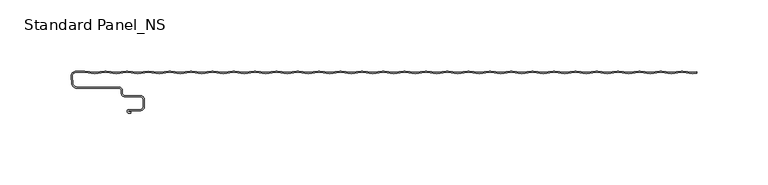
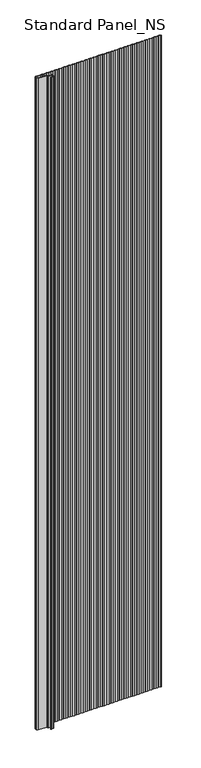
"""IFC4 building model written with IfcOpenShell, lengths in millimetres: proxy geometry, Standard Panel_NS."""

from ifc_helpers import new_model, si_unit, point, frame_2d, origin, origin_with_axes, place, context, project, spatial, polyline, circle_curve, trimmed, segment, composite_curve, outline, extrude, source, transform, mapped, element, save


def standard_panel_ns_37219608(model_context):
    return source(origin(), model_context, "Body", "SweptSolid", [
        extrude(outline(composite_curve([segment(polyline([(200.9757266, 48.2311894), (193.9420689, 49.1690104)]), True, "CONTINUOUS"), segment(trimmed(circle_curve(frame_2d((193.4654854, 45.5946345)), 3.6060082), [point((193.9420689, 49.1690104))], [point((192.9889019, 49.1690104))], True, "CARTESIAN"), True, "CONTINUOUS"), segment(polyline([(192.9889019, 49.1690104), (185.9552442, 48.2311894), (178.9215864, 49.1690104)]), True, "CONTINUOUS"), segment(trimmed(circle_curve(frame_2d((178.445003, 45.5946345)), 3.6060082), [point((178.9215864, 49.1690104))], [point((177.9684195, 49.1690104))], True, "CARTESIAN"), True, "CONTINUOUS"), segment(polyline([(177.9684195, 49.1690104), (170.9347618, 48.2311894), (163.901104, 49.1690104)]), True, "CONTINUOUS"), segment(trimmed(circle_curve(frame_2d((163.4245205, 45.5946345)), 3.6060082), [point((163.901104, 49.1690104))], [point((162.9479371, 49.1690104))], True, "CARTESIAN"), True, "CONTINUOUS"), segment(polyline([(162.9479371, 49.1690104), (155.9142793, 48.2311894), (148.8806215, 49.1690104)]), True, "CONTINUOUS"), segment(trimmed(circle_curve(frame_2d((148.4040381, 45.5946345)), 3.6060082), [point((148.8806215, 49.1690104))], [point((147.9274546, 49.1690104))], True, "CARTESIAN"), True, "CONTINUOUS"), segment(polyline([(147.9274546, 49.1690104), (140.8937969, 48.2311894), (133.8601391, 49.1690104)]), True, "CONTINUOUS"), segment(trimmed(circle_curve(frame_2d((133.3835556, 45.5946345)), 3.6060082), [point((133.8601391, 49.1690104))], [point((132.9069722, 49.1690104))], True, "CARTESIAN"), True, "CONTINUOUS"), segment(polyline([(132.9069722, 49.1690104), (125.8733144, 48.2311894), (118.8396566, 49.1690104)]), True, "CONTINUOUS"), segment(trimmed(circle_curve(frame_2d((118.3630732, 45.5946345)), 3.6060082), [point((118.8396566, 49.1690104))], [point((117.8864897, 49.1690104))], True, "CARTESIAN"), True, "CONTINUOUS"), segment(polyline([(117.8864897, 49.1690104), (110.852832, 48.2311894), (103.8191742, 49.1690104)]), True, "CONTINUOUS"), segment(trimmed(circle_curve(frame_2d((103.3425907, 45.5946345)), 3.6060082), [point((103.8191742, 49.1690104))], [point((102.8660073, 49.1690104))], True, "CARTESIAN"), True, "CONTINUOUS"), segment(polyline([(102.8660073, 49.1690104), (95.8323495, 48.2311894), (88.7986918, 49.1690104)]), True, "CONTINUOUS"), segment(trimmed(circle_curve(frame_2d((88.3221083, 45.5946345)), 3.6060082), [point((88.7986918, 49.1690104))], [point((87.8455248, 49.1690104))], True, "CARTESIAN"), True, "CONTINUOUS"), segment(polyline([(87.8455248, 49.1690104), (80.8118671, 48.2311894), (73.7782093, 49.1690104)]), True, "CONTINUOUS"), segment(trimmed(circle_curve(frame_2d((73.3016259, 45.5946345)), 3.6060082), [point((73.7782093, 49.1690104))], [point((72.8250424, 49.1690104))], True, "CARTESIAN"), True, "CONTINUOUS"), segment(polyline([(72.8250424, 49.1690104), (65.7913846, 48.2311894), (58.7577269, 49.1690104)]), True, "CONTINUOUS"), segment(trimmed(circle_curve(frame_2d((58.2811434, 45.5946345)), 3.6060082), [point((58.7577269, 49.1690104))], [point((57.80456, 49.1690104))], True, "CARTESIAN"), True, "CONTINUOUS"), segment(polyline([(57.80456, 49.1690104), (50.7709022, 48.2311894), (43.7372444, 49.1690104)]), True, "CONTINUOUS"), segment(trimmed(circle_curve(frame_2d((43.260661, 45.5946345)), 3.6060082), [point((43.7372444, 49.1690104))], [point((42.7840775, 49.1690104))], True, "CARTESIAN"), True, "CONTINUOUS"), segment(polyline([(42.7840775, 49.1690104), (35.7504198, 48.2311894), (28.716762, 49.1690104)]), True, "CONTINUOUS"), segment(trimmed(circle_curve(frame_2d((28.2401785, 45.5946345)), 3.6060082), [point((28.716762, 49.1690104))], [point((27.7635951, 49.1690104))], True, "CARTESIAN"), True, "CONTINUOUS"), segment(polyline([(27.7635951, 49.1690104), (20.7299373, 48.2311894), (13.6962795, 49.1690104)]), True, "CONTINUOUS"), segment(trimmed(circle_curve(frame_2d((13.2196961, 45.5946345)), 3.6060082), [point((13.6962795, 49.1690104))], [point((12.7431126, 49.1690104))], True, "CARTESIAN"), True, "CONTINUOUS"), segment(polyline([(12.7431126, 49.1690104), (5.7094549, 48.2311894), (-1.3242029, 49.1690104)]), True, "CONTINUOUS"), segment(trimmed(circle_curve(frame_2d((-1.8007864, 45.5946345)), 3.6060082), [point((-1.3242029, 49.1690104))], [point((-2.2773698, 49.1690104))], True, "CARTESIAN"), True, "CONTINUOUS"), segment(polyline([(-2.2773698, 49.1690104), (-9.3110276, 48.2311894), (-16.3446854, 49.1690104)]), True, "CONTINUOUS"), segment(trimmed(circle_curve(frame_2d((-16.8212688, 45.5946345)), 3.6060082), [point((-16.3446854, 49.1690104))], [point((-17.2978523, 49.1690104))], True, "CARTESIAN"), True, "CONTINUOUS"), segment(polyline([(-17.2978523, 49.1690104), (-24.33151, 48.2311894), (-31.3651678, 49.1690104)]), True, "CONTINUOUS"), segment(trimmed(circle_curve(frame_2d((-31.8417513, 45.5946345)), 3.6060082), [point((-31.3651678, 49.1690104))], [point((-32.3183347, 49.1690104))], True, "CARTESIAN"), True, "CONTINUOUS"), segment(polyline([(-32.3183347, 49.1690104), (-39.3519925, 48.2311894), (-46.3856502, 49.1690104)]), True, "CONTINUOUS"), segment(trimmed(circle_curve(frame_2d((-46.8622337, 45.5946345)), 3.6060082), [point((-46.3856502, 49.1690104))], [point((-47.3388172, 49.1690104))], True, "CARTESIAN"), True, "CONTINUOUS"), segment(polyline([(-47.3388172, 49.1690104), (-54.3724749, 48.2311894), (-61.4061327, 49.1690104)]), True, "CONTINUOUS"), segment(trimmed(circle_curve(frame_2d((-61.8827161, 45.5946345)), 3.6060082), [point((-61.4061327, 49.1690104))], [point((-62.3592996, 49.1690104))], True, "CARTESIAN"), True, "CONTINUOUS"), segment(polyline([(-62.3592996, 49.1690104), (-69.3929573, 48.2311894), (-76.4266151, 49.1690104)]), True, "CONTINUOUS"), segment(trimmed(circle_curve(frame_2d((-76.9031986, 45.5946345)), 3.6060082), [point((-76.4266151, 49.1690104))], [point((-77.379782, 49.1690104))], True, "CARTESIAN"), True, "CONTINUOUS"), segment(polyline([(-77.379782, 49.1690104), (-84.4134398, 48.2311894), (-91.4470976, 49.1690104)]), True, "CONTINUOUS"), segment(trimmed(circle_curve(frame_2d((-91.923681, 45.5946345)), 3.6060082), [point((-91.4470976, 49.1690104))], [point((-92.4002645, 49.1690104))], True, "CARTESIAN"), True, "CONTINUOUS"), segment(polyline([(-92.4002645, 49.1690104), (-99.4339222, 48.2311894), (-106.46758, 49.1690104)]), True, "CONTINUOUS"), segment(trimmed(circle_curve(frame_2d((-106.9441635, 45.5946345)), 3.6060082), [point((-106.46758, 49.1690104))], [point((-107.4207469, 49.1690104))], True, "CARTESIAN"), True, "CONTINUOUS"), segment(polyline([(-107.4207469, 49.1690104), (-114.4544047, 48.2311894), (-121.4880625, 49.1690104)]), True, "CONTINUOUS"), segment(trimmed(circle_curve(frame_2d((-121.9646459, 45.5946345)), 3.6060082), [point((-121.4880625, 49.1690104))], [point((-122.4412294, 49.1690104))], True, "CARTESIAN"), True, "CONTINUOUS"), segment(polyline([(-122.4412294, 49.1690104), (-129.4748871, 48.2311894), (-136.5085449, 49.1690104)]), True, "CONTINUOUS"), segment(trimmed(circle_curve(frame_2d((-136.9851284, 45.5946345)), 3.6060082), [point((-136.5085449, 49.1690104))], [point((-137.4617118, 49.1690104))], True, "CARTESIAN"), True, "CONTINUOUS"), segment(polyline([(-137.4617118, 49.1690104), (-144.4953696, 48.2311894), (-151.5290274, 49.1690104)]), True, "CONTINUOUS"), segment(trimmed(circle_curve(frame_2d((-152.0056108, 45.5946345)), 3.6060082), [point((-151.5290274, 49.1690104))], [point((-152.4821943, 49.1690104))], True, "CARTESIAN"), True, "CONTINUOUS"), segment(polyline([(-152.4821943, 49.1690104), (-159.515852, 48.2311894), (-166.5495098, 49.1690104)]), True, "CONTINUOUS"), segment(trimmed(circle_curve(frame_2d((-167.0260933, 45.5946345)), 3.6060082), [point((-166.5495098, 49.1690104))], [point((-167.5026767, 49.1690104))], True, "CARTESIAN"), True, "CONTINUOUS"), segment(polyline([(-167.5026767, 49.1690104), (-174.5363345, 48.2311894), (-182.0465757, 49.2325549), (-189.5568169, 48.2311894), (-196.5904747, 49.1690104)]), True, "CONTINUOUS"), segment(trimmed(circle_curve(frame_2d((-197.0670581, 45.5946345)), 3.6060082), [point((-196.5904747, 49.1690104))], [point((-197.5436416, 49.1690104))], True, "CARTESIAN"), True, "CONTINUOUS"), segment(polyline([(-197.5436416, 49.1690104), (-204.5772994, 48.2311894), (-211.6109571, 49.1690104)]), True, "CONTINUOUS"), segment(trimmed(circle_curve(frame_2d((-212.0875406, 45.5946345)), 3.6060082), [point((-211.6109571, 49.1690104))], [point((-212.564124, 49.1690104))], True, "CARTESIAN"), True, "CONTINUOUS"), segment(polyline([(-212.564124, 49.1690104), (-219.5977818, 48.2311894), (-226.8685673, 49.2006275), (-232.8591806, 49.2006275)]), True, "CONTINUOUS"), segment(trimmed(circle_curve(frame_2d((-232.8591806, 46.4402183)), 2.7604092), [point((-232.8591806, 49.2006275))], [point((-235.6090836, 46.1996106))], True, "CARTESIAN"), True, "CONTINUOUS"), segment(polyline([(-235.6090836, 46.1996106), (-235.1937635, 41.4529208)]), True, "CONTINUOUS"), segment(trimmed(circle_curve(frame_2d((-232.3045986, 41.7057134)), 2.9002032), [point((-235.1937635, 41.4529208))], [point((-232.3045986, 38.8055103))], True, "CARTESIAN"), True, "CONTINUOUS"), segment(polyline([(-232.3045986, 38.8055103), (-202.67533, 38.8055103)]), True, "CONTINUOUS"), segment(trimmed(circle_curve(frame_2d((-202.67533, 36.4057064)), 2.3998039), [point((-202.67533, 38.8055103))], [point((-200.2755261, 36.4057064))], False, "CARTESIAN"), True, "CONTINUOUS"), segment(polyline([(-200.2755261, 36.4057064), (-200.2755261, 34.4057064)]), True, "CONTINUOUS"), segment(trimmed(circle_curve(frame_2d((-198.67533, 34.4057064)), 1.6001961), [point((-200.2755261, 34.4057064))], [point((-198.67533, 32.8055103))], True, "CARTESIAN"), True, "CONTINUOUS"), segment(polyline([(-198.67533, 32.8055103), (-188.0058392, 32.8055103)]), True, "CONTINUOUS"), segment(trimmed(circle_curve(frame_2d((-188.0058392, 29.6557064)), 3.1498039), [point((-188.0058392, 32.8055103))], [point((-184.8560353, 29.6557064))], False, "CARTESIAN"), True, "CONTINUOUS"), segment(polyline([(-184.8560353, 29.6557064), (-184.8560353, 25.2557048)]), True, "CONTINUOUS"), segment(trimmed(circle_curve(frame_2d((-188.0058392, 25.2557048)), 3.1498039), [point((-184.8560353, 25.2557048))], [point((-188.0058392, 22.1059009))], False, "CARTESIAN"), True, "CONTINUOUS"), segment(polyline([(-188.0058392, 22.1059009), (-195.7650669, 22.1059009)]), True, "CONTINUOUS"), segment(trimmed(circle_curve(frame_2d((-195.7650669, 21.7057056)), 0.4001953), [point((-195.7650669, 22.1059009))], [point((-195.7650669, 21.3055103))], True, "CARTESIAN"), True, "CONTINUOUS"), segment(polyline([(-195.7650669, 21.3055103), (-194.3950677, 21.3055103), (-194.3950677, 20.5055103), (-195.7650669, 20.5055103)]), True, "CONTINUOUS"), segment(trimmed(circle_curve(frame_2d((-195.7650669, 21.7057056)), 1.2001953), [point((-195.7650669, 20.5055103))], [point((-195.7650669, 22.9059009))], False, "CARTESIAN"), True, "CONTINUOUS"), segment(polyline([(-195.7650669, 22.9059009), (-188.0058392, 22.9059009)]), True, "CONTINUOUS"), segment(trimmed(circle_curve(frame_2d((-188.0058392, 25.2557048)), 2.3498039), [point((-188.0058392, 22.9059009))], [point((-185.6560353, 25.2557048))], True, "CARTESIAN"), True, "CONTINUOUS"), segment(polyline([(-185.6560353, 25.2557048), (-185.6560353, 29.6557064)]), True, "CONTINUOUS"), segment(trimmed(circle_curve(frame_2d((-188.0058392, 29.6557064)), 2.3498039), [point((-185.6560353, 29.6557064))], [point((-188.0058392, 32.0055103))], True, "CARTESIAN"), True, "CONTINUOUS"), segment(polyline([(-188.0058392, 32.0055103), (-198.67533, 32.0055103)]), True, "CONTINUOUS"), segment(trimmed(circle_curve(frame_2d((-198.67533, 34.4057064)), 2.4001961), [point((-198.67533, 32.0055103))], [point((-201.0755261, 34.4057064))], False, "CARTESIAN"), True, "CONTINUOUS"), segment(polyline([(-201.0755261, 34.4057064), (-201.0755261, 36.4057064)]), True, "CONTINUOUS"), segment(trimmed(circle_curve(frame_2d((-202.67533, 36.4057064)), 1.5998039), [point((-201.0755261, 36.4057064))], [point((-202.67533, 38.0055103))], True, "CARTESIAN"), True, "CONTINUOUS"), segment(polyline([(-202.67533, 38.0055103), (-232.3045986, 38.0055103)]), True, "CONTINUOUS"), segment(trimmed(circle_curve(frame_2d((-232.3045986, 41.7057134)), 3.7002032), [point((-232.3045986, 38.0055103))], [point((-235.9907187, 41.3831898))], False, "CARTESIAN"), True, "CONTINUOUS"), segment(polyline([(-235.9907187, 41.3831898), (-236.4060388, 46.1298796)]), True, "CONTINUOUS"), segment(trimmed(circle_curve(frame_2d((-232.8591806, 46.4402183)), 3.5604092), [point((-236.4060388, 46.1298796))], [point((-232.8591806, 50.0006275))], False, "CARTESIAN"), True, "CONTINUOUS"), segment(polyline([(-232.8591806, 50.0006275), (-226.8154689, 50.0006275), (-219.5977818, 49.0382692), (-212.669855, 49.9619928)]), True, "CONTINUOUS"), segment(trimmed(circle_curve(frame_2d((-212.0875406, 45.5946345)), 4.4060082), [point((-212.669855, 49.9619928))], [point((-211.5052261, 49.9619928))], False, "CARTESIAN"), True, "CONTINUOUS"), segment(polyline([(-211.5052261, 49.9619928), (-204.5772994, 49.0382692), (-197.6493726, 49.9619928)]), True, "CONTINUOUS"), segment(trimmed(circle_curve(frame_2d((-197.0670581, 45.5946345)), 4.4060082), [point((-197.6493726, 49.9619928))], [point((-196.4847437, 49.9619928))], False, "CARTESIAN"), True, "CONTINUOUS"), segment(polyline([(-196.4847437, 49.9619928), (-189.5568169, 49.0382692), (-182.0465757, 50.0396347), (-174.5363345, 49.0382692), (-167.6084077, 49.9619928)]), True, "CONTINUOUS"), segment(trimmed(circle_curve(frame_2d((-167.0260933, 45.5946345)), 4.4060082), [point((-167.6084077, 49.9619928))], [point((-166.4437788, 49.9619928))], False, "CARTESIAN"), True, "CONTINUOUS"), segment(polyline([(-166.4437788, 49.9619928), (-159.515852, 49.0382692), (-152.5879252, 49.9619928)]), True, "CONTINUOUS"), segment(trimmed(circle_curve(frame_2d((-152.0056108, 45.5946345)), 4.4060082), [point((-152.5879252, 49.9619928))], [point((-151.4232964, 49.9619928))], False, "CARTESIAN"), True, "CONTINUOUS"), segment(polyline([(-151.4232964, 49.9619928), (-144.4953696, 49.0382692), (-137.5674428, 49.9619928)]), True, "CONTINUOUS"), segment(trimmed(circle_curve(frame_2d((-136.9851284, 45.5946345)), 4.4060082), [point((-137.5674428, 49.9619928))], [point((-136.4028139, 49.9619928))], False, "CARTESIAN"), True, "CONTINUOUS"), segment(polyline([(-136.4028139, 49.9619928), (-129.4748871, 49.0382692), (-122.5469604, 49.9619928)]), True, "CONTINUOUS"), segment(trimmed(circle_curve(frame_2d((-121.9646459, 45.5946345)), 4.4060082), [point((-122.5469604, 49.9619928))], [point((-121.3823315, 49.9619928))], False, "CARTESIAN"), True, "CONTINUOUS"), segment(polyline([(-121.3823315, 49.9619928), (-114.4544047, 49.0382692), (-107.5264779, 49.9619928)]), True, "CONTINUOUS"), segment(trimmed(circle_curve(frame_2d((-106.9441635, 45.5946345)), 4.4060082), [point((-107.5264779, 49.9619928))], [point((-106.361849, 49.9619928))], False, "CARTESIAN"), True, "CONTINUOUS"), segment(polyline([(-106.361849, 49.9619928), (-99.4339222, 49.0382692), (-92.5059955, 49.9619928)]), True, "CONTINUOUS"), segment(trimmed(circle_curve(frame_2d((-91.923681, 45.5946345)), 4.4060082), [point((-92.5059955, 49.9619928))], [point((-91.3413666, 49.9619928))], False, "CARTESIAN"), True, "CONTINUOUS"), segment(polyline([(-91.3413666, 49.9619928), (-84.4134398, 49.0382692), (-77.485513, 49.9619928)]), True, "CONTINUOUS"), segment(trimmed(circle_curve(frame_2d((-76.9031986, 45.5946345)), 4.4060082), [point((-77.485513, 49.9619928))], [point((-76.3208842, 49.9619928))], False, "CARTESIAN"), True, "CONTINUOUS"), segment(polyline([(-76.3208842, 49.9619928), (-69.3929573, 49.0382692), (-62.4650306, 49.9619928)]), True, "CONTINUOUS"), segment(trimmed(circle_curve(frame_2d((-61.8827161, 45.5946345)), 4.4060082), [point((-62.4650306, 49.9619928))], [point((-61.3004017, 49.9619928))], False, "CARTESIAN"), True, "CONTINUOUS"), segment(polyline([(-61.3004017, 49.9619928), (-54.3724749, 49.0382692), (-47.4445481, 49.9619928)]), True, "CONTINUOUS"), segment(trimmed(circle_curve(frame_2d((-46.8622337, 45.5946345)), 4.4060082), [point((-47.4445481, 49.9619928))], [point((-46.2799193, 49.9619928))], False, "CARTESIAN"), True, "CONTINUOUS"), segment(polyline([(-46.2799193, 49.9619928), (-39.3519925, 49.0382692), (-32.4240657, 49.9619928)]), True, "CONTINUOUS"), segment(trimmed(circle_curve(frame_2d((-31.8417513, 45.5946345)), 4.4060082), [point((-32.4240657, 49.9619928))], [point((-31.2594368, 49.9619928))], False, "CARTESIAN"), True, "CONTINUOUS"), segment(polyline([(-31.2594368, 49.9619928), (-24.33151, 49.0382692), (-17.4035832, 49.9619928)]), True, "CONTINUOUS"), segment(trimmed(circle_curve(frame_2d((-16.8212688, 45.5946345)), 4.4060082), [point((-17.4035832, 49.9619928))], [point((-16.2389544, 49.9619928))], False, "CARTESIAN"), True, "CONTINUOUS"), segment(polyline([(-16.2389544, 49.9619928), (-9.3110276, 49.0382692), (-2.3831008, 49.9619928)]), True, "CONTINUOUS"), segment(trimmed(circle_curve(frame_2d((-1.8007864, 45.5946345)), 4.4060082), [point((-2.3831008, 49.9619928))], [point((-1.2184719, 49.9619928))], False, "CARTESIAN"), True, "CONTINUOUS"), segment(polyline([(-1.2184719, 49.9619928), (5.7094549, 49.0382692), (12.6373816, 49.9619928)]), True, "CONTINUOUS"), segment(trimmed(circle_curve(frame_2d((13.2196961, 45.5946345)), 4.4060082), [point((12.6373816, 49.9619928))], [point((13.8020105, 49.9619928))], False, "CARTESIAN"), True, "CONTINUOUS"), segment(polyline([(13.8020105, 49.9619928), (20.7299373, 49.0382692), (27.6578641, 49.9619928)]), True, "CONTINUOUS"), segment(trimmed(circle_curve(frame_2d((28.2401785, 45.5946345)), 4.4060082), [point((27.6578641, 49.9619928))], [point((28.822493, 49.9619928))], False, "CARTESIAN"), True, "CONTINUOUS"), segment(polyline([(28.822493, 49.9619928), (35.7504198, 49.0382692), (42.6783465, 49.9619928)]), True, "CONTINUOUS"), segment(trimmed(circle_curve(frame_2d((43.260661, 45.5946345)), 4.4060082), [point((42.6783465, 49.9619928))], [point((43.8429754, 49.9619928))], False, "CARTESIAN"), True, "CONTINUOUS"), segment(polyline([(43.8429754, 49.9619928), (50.7709022, 49.0382692), (57.698829, 49.9619928)]), True, "CONTINUOUS"), segment(trimmed(circle_curve(frame_2d((58.2811434, 45.5946345)), 4.4060082), [point((57.698829, 49.9619928))], [point((58.8634578, 49.9619928))], False, "CARTESIAN"), True, "CONTINUOUS"), segment(polyline([(58.8634578, 49.9619928), (65.7913846, 49.0382692), (72.7193114, 49.9619928)]), True, "CONTINUOUS"), segment(trimmed(circle_curve(frame_2d((73.3016259, 45.5946345)), 4.4060082), [point((72.7193114, 49.9619928))], [point((73.8839403, 49.9619928))], False, "CARTESIAN"), True, "CONTINUOUS"), segment(polyline([(73.8839403, 49.9619928), (80.8118671, 49.0382692), (87.7397939, 49.9619928)]), True, "CONTINUOUS"), segment(trimmed(circle_curve(frame_2d((88.3221083, 45.5946345)), 4.4060082), [point((87.7397939, 49.9619928))], [point((88.9044227, 49.9619928))], False, "CARTESIAN"), True, "CONTINUOUS"), segment(polyline([(88.9044227, 49.9619928), (95.8323495, 49.0382692), (102.7602763, 49.9619928)]), True, "CONTINUOUS"), segment(trimmed(circle_curve(frame_2d((103.3425907, 45.5946345)), 4.4060082), [point((102.7602763, 49.9619928))], [point((103.9249052, 49.9619928))], False, "CARTESIAN"), True, "CONTINUOUS"), segment(polyline([(103.9249052, 49.9619928), (110.852832, 49.0382692), (117.7807588, 49.9619928)]), True, "CONTINUOUS"), segment(trimmed(circle_curve(frame_2d((118.3630732, 45.5946345)), 4.4060082), [point((117.7807588, 49.9619928))], [point((118.9453876, 49.9619928))], False, "CARTESIAN"), True, "CONTINUOUS"), segment(polyline([(118.9453876, 49.9619928), (125.8733144, 49.0382692), (132.8012412, 49.9619928)]), True, "CONTINUOUS"), segment(trimmed(circle_curve(frame_2d((133.3835556, 45.5946345)), 4.4060082), [point((132.8012412, 49.9619928))], [point((133.9658701, 49.9619928))], False, "CARTESIAN"), True, "CONTINUOUS"), segment(polyline([(133.9658701, 49.9619928), (140.8937969, 49.0382692), (147.8217236, 49.9619928)]), True, "CONTINUOUS"), segment(trimmed(circle_curve(frame_2d((148.4040381, 45.5946345)), 4.4060082), [point((147.8217236, 49.9619928))], [point((148.9863525, 49.9619928))], False, "CARTESIAN"), True, "CONTINUOUS"), segment(polyline([(148.9863525, 49.9619928), (155.9142793, 49.0382692), (162.8422061, 49.9619928)]), True, "CONTINUOUS"), segment(trimmed(circle_curve(frame_2d((163.4245205, 45.5946345)), 4.4060082), [point((162.8422061, 49.9619928))], [point((164.006835, 49.9619928))], False, "CARTESIAN"), True, "CONTINUOUS"), segment(polyline([(164.006835, 49.9619928), (170.9347618, 49.0382692), (177.8626885, 49.9619928)]), True, "CONTINUOUS"), segment(trimmed(circle_curve(frame_2d((178.445003, 45.5946345)), 4.4060082), [point((177.8626885, 49.9619928))], [point((179.0273174, 49.9619928))], False, "CARTESIAN"), True, "CONTINUOUS"), segment(polyline([(179.0273174, 49.9619928), (185.9552442, 49.0382692), (192.883171, 49.9619928)]), True, "CONTINUOUS"), segment(trimmed(circle_curve(frame_2d((193.4654854, 45.5946345)), 4.4060082), [point((192.883171, 49.9619928))], [point((194.0477998, 49.9619928))], False, "CARTESIAN"), True, "CONTINUOUS"), segment(polyline([(194.0477998, 49.9619928), (200.9757266, 49.0382692), (203.9042607, 49.4287404), (203.9042607, 48.6216606), (200.9757266, 48.2311894)]), True, "CONTINUOUS")], self_intersect=False)), origin_with_axes(), (0.0, 0.0, 1.0), 2400.0),
    ])


if __name__ == "__main__":
    model = new_model("IFC4")
    model_context = context("Model", 3, world=origin())
    ifc_project = project(units=[si_unit("LENGTHUNIT", "METRE", prefix="MILLI")], contexts=[model_context])
    site = spatial("IfcSite", under=ifc_project)
    building = spatial("IfcBuilding", under=site)
    placement = place(None, origin())
    standard_panel_ns_shape = standard_panel_ns_37219608(model_context)
    element("IfcBuildingElementProxy", 1, Name="Standard Panel_NS", ObjectType="Standard Panel_NS", at=placement, inside=building, context=model_context, shape_type="MappedRepresentation", body=[
        mapped(standard_panel_ns_shape, transform((0.0, 0.0, 0.0), x_axis=(1.0, 0.0, 0.0), y_axis=(0.0, 1.0, 0.0), z_axis=(0.0, 0.0, 1.0))),
    ])
    save(model, "model.ifc")
